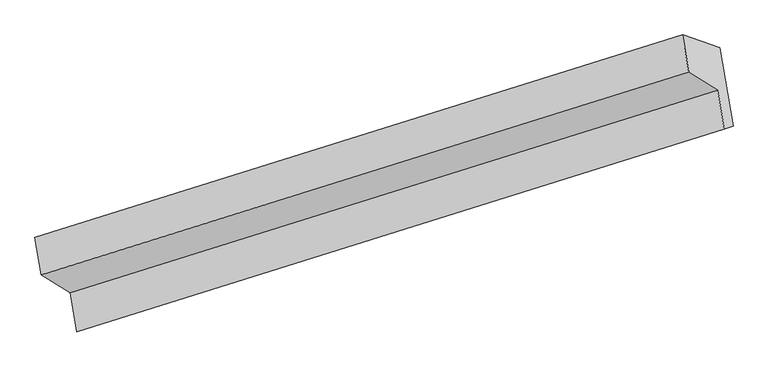
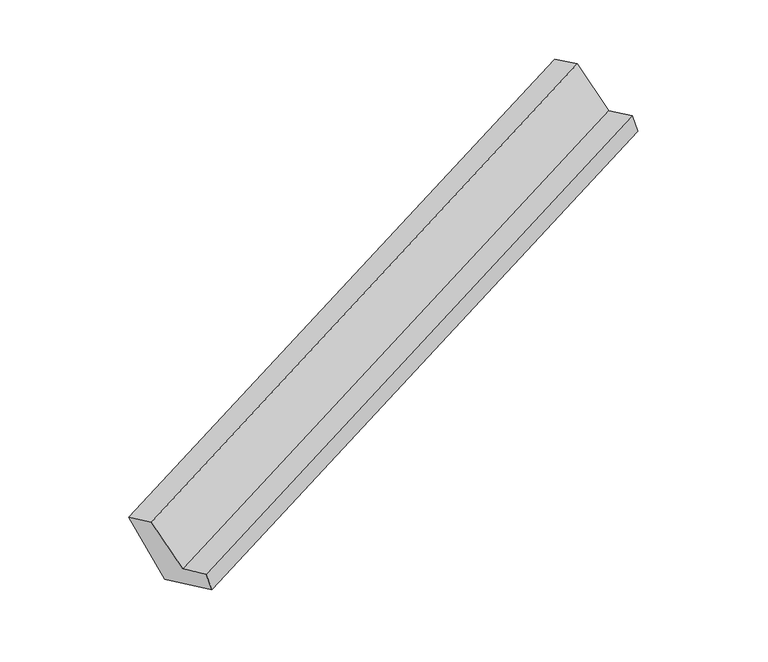
"""IFC4 building model written with IfcOpenShell, lengths in millimetres: proxy geometry."""

from ifc_helpers import new_model, si_unit, origin, place, context, project, spatial, faceted_brep, source, transform, mapped, element, save


def generic_models_2a0b6b96(model_context):
    return source(origin(), model_context, "Body", "Brep", [
        faceted_brep([(-5689.9720152, -2857.9058737, 524.6748899), (-5813.577371, -2120.9847023, 248.2348627), (257.6509839, -220.1803265, 2629.4883081), (381.2563397, -957.1014979, 2905.9283352), (-6163.999471, -2000.2725336, 1062.5650464), (-92.7711161, -99.4681578, 3443.8184917), (-6104.9640772, -2352.2348841, 1194.5961041), (-33.7357223, -451.4305083, 3575.8495495), (-5834.2684662, -2520.0879001, 626.1043771), (236.9598887, -619.2835243, 3007.3578224), (-5773.0192451, -2885.2488387, 763.0865995), (298.2091098, -984.4444629, 3144.3400449)], [[[0, 1, 2, 3]], [[1, 4, 5, 2]], [[4, 6, 7, 5]], [[6, 8, 9, 7]], [[8, 10, 11, 9]], [[10, 0, 3, 11]], [[9, 11, 3, 2, 5, 7]], [[0, 10, 8, 6, 4, 1]]]),
    ])


if __name__ == "__main__":
    model = new_model("IFC4")
    model_context = context("Model", 3, world=origin())
    ifc_project = project(units=[si_unit("LENGTHUNIT", "METRE", prefix="MILLI")], contexts=[model_context])
    site = spatial("IfcSite", under=ifc_project)
    building = spatial("IfcBuilding", under=site)
    placement = place(None, origin())
    generic_models_shape = generic_models_2a0b6b96(model_context)
    element("IfcBuildingElementProxy", 1, Name="Generic Models", at=placement, inside=building, context=model_context, shape_type="MappedRepresentation", body=[
        mapped(generic_models_shape, transform((0.0, 0.0, 0.0), x_axis=(1.0, 0.0, 0.0), y_axis=(0.0, 1.0, 0.0), z_axis=(0.0, 0.0, 1.0))),
    ])
    save(model, "model.ifc")
